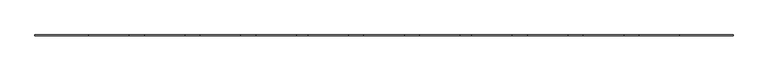
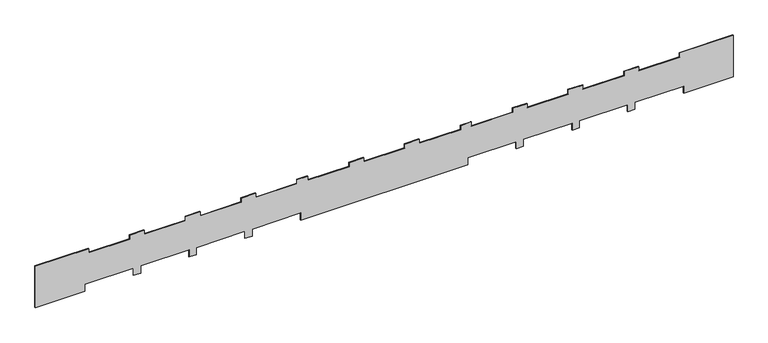
"""IFC4 building model written with IfcOpenShell, lengths in millimetres: furniture geometry."""

import ifcopenshell
import ifcopenshell.guid

model = None  # the IFC model being written
_history = None  # IfcOwnerHistory: only IFC2X3 demands one
_inside = {}  # id of a spatial element -> (the spatial element, [elements in it])
_under = {}  # id of a project, library or spatial element -> (it, [spatial elements below it])
_declared = {}  # id of a project -> (the project, [libraries it declares])
_typed = {}  # id of a type object -> (the type object, [elements of that type])
_made_of = {}  # id of a material, layer set ... -> (it, [elements and type objects made of it])


def new_model(schema):
    """Start an empty IFC model of exactly this schema.

    Asked for "IFC4X3", IfcOpenShell would pick the latest addendum, in which some entities
    have other attributes; the version numbers below select the first issue.
    IFC2X3 requires an IfcOwnerHistory on every rooted entity: one is made here for all.
    """
    global model, _history
    if schema == "IFC4X3":
        model = ifcopenshell.file(schema_version=(4, 3, 0, 0))
    else:
        model = ifcopenshell.file(schema=schema)
    _inside.clear()
    _under.clear()
    _declared.clear()
    _typed.clear()
    _made_of.clear()
    _history = None
    if model.schema == "IFC2X3":
        org = make("IfcOrganization", Name="unknown")
        user = make(
            "IfcPersonAndOrganization",
            ThePerson=make("IfcPerson", FamilyName="unknown"),
            TheOrganization=org,
        )
        app = make(
            "IfcApplication",
            ApplicationDeveloper=org,
            Version="unknown",
            ApplicationFullName="unknown",
            ApplicationIdentifier="unknown",
        )
        _history = make(
            "IfcOwnerHistory",
            OwningUser=user,
            OwningApplication=app,
            ChangeAction="ADDED",
            CreationDate=0,
        )
    return model


def make(cls, **values):
    """One entity of the class cls with the attributes given. An attribute that is None is left unset."""
    return model.create_entity(
        cls, **{name: value for name, value in values.items() if value is not None}
    )


def rooted(cls, **values):
    """An entity with a GlobalId (a new one), such as an element, a storey or a relation."""
    return make(cls, GlobalId=ifcopenshell.guid.new(), OwnerHistory=_history, **values)


def si_unit(unit_type, name, prefix=None):
    """IfcSIUnit, for example si_unit("LENGTHUNIT", "METRE", prefix="MILLI")."""
    return make("IfcSIUnit", UnitType=unit_type, Prefix=prefix, Name=name)


def assignment(units):
    """IfcUnitAssignment: the units of a project."""
    return None if units is None else make("IfcUnitAssignment", Units=units)


def point(xyz):
    """IfcCartesianPoint."""
    return None if xyz is None else make("IfcCartesianPoint", Coordinates=xyz)


def direction(xyz):
    """IfcDirection."""
    return None if xyz is None else make("IfcDirection", DirectionRatios=xyz)


def frame(location, z_axis=None, x_axis=None):
    """IfcAxis2Placement3D, a coordinate frame: its origin and axes. An axis left out is left unset."""
    return make(
        "IfcAxis2Placement3D",
        Location=point(location),
        Axis=direction(z_axis),
        RefDirection=direction(x_axis),
    )


def origin():
    """The frame at (0, 0, 0) with its axes left unset."""
    return frame((0.0, 0.0, 0.0))


def place(relative_to, where):
    """IfcLocalPlacement: puts the frame where relative to a parent placement (None: the world)."""
    return make(
        "IfcLocalPlacement", PlacementRelTo=relative_to, RelativePlacement=where
    )


def context(
    kind, dimensions, precision=None, world=None, true_north=None, identifier=None
):
    """IfcGeometricRepresentationContext, for example the 3D "Model" context."""
    return make(
        "IfcGeometricRepresentationContext",
        ContextIdentifier=identifier,
        ContextType=kind,
        CoordinateSpaceDimension=dimensions,
        Precision=precision,
        WorldCoordinateSystem=world,
        TrueNorth=true_north,
    )


def project(units=None, contexts=None):
    """IfcProject with its units and contexts."""
    return rooted(
        "IfcProject",
        Name="project",
        RepresentationContexts=contexts,
        UnitsInContext=assignment(units),
    )


def spatial(cls, under=None, at=None, **own):
    """A site, building, storey or space (cls), placed at a placement, below another one or the project."""
    s = rooted(cls, ObjectPlacement=at, **own)
    if under is not None:
        _under.setdefault(under.id(), (under, []))[1].append(s)
    return s


def polyline(points):
    """IfcPolyline through the points."""
    return make("IfcPolyline", Points=[point(p) for p in points])


def outline(outer, holes=None, kind="AREA"):
    """IfcArbitraryClosedProfileDef: a profile drawn as a closed curve; with holes, ...WithVoids."""
    if holes is None:
        return make("IfcArbitraryClosedProfileDef", ProfileType=kind, OuterCurve=outer)
    return make(
        "IfcArbitraryProfileDefWithVoids",
        ProfileType=kind,
        OuterCurve=outer,
        InnerCurves=holes,
    )


def extrude(swept, where, along, depth):
    """IfcExtrudedAreaSolid: the profile swept, set in the frame where, extruded along a direction by depth."""
    return make(
        "IfcExtrudedAreaSolid",
        SweptArea=swept,
        Position=where,
        ExtrudedDirection=direction(along),
        Depth=depth,
    )


def shape(context_of_items, identifier, shape_type, items):
    """IfcShapeRepresentation: the items that make up one representation, for example the "Body"."""
    return make(
        "IfcShapeRepresentation",
        ContextOfItems=context_of_items,
        RepresentationIdentifier=identifier,
        RepresentationType=shape_type,
        Items=items,
    )


def source(mapping_origin, context_of_items, identifier, shape_type, items):
    """IfcRepresentationMap: a shape defined once, which mapped items show again and again."""
    return make(
        "IfcRepresentationMap",
        MappingOrigin=mapping_origin,
        MappedRepresentation=shape(context_of_items, identifier, shape_type, items),
    )


def transform(
    local_origin,
    x_axis=None,
    y_axis=None,
    z_axis=None,
    scale=None,
    scale2=None,
    scale3=None,
    uniform=True,
):
    """IfcCartesianTransformationOperator3D, or its non-uniform kind. x_axis, y_axis, z_axis: its Axis1, 2, 3."""
    if uniform:
        return make(
            "IfcCartesianTransformationOperator3D",
            Axis1=direction(x_axis),
            Axis2=direction(y_axis),
            LocalOrigin=point(local_origin),
            Scale=scale,
            Axis3=direction(z_axis),
        )
    return make(
        "IfcCartesianTransformationOperator3DnonUniform",
        Axis1=direction(x_axis),
        Axis2=direction(y_axis),
        LocalOrigin=point(local_origin),
        Scale=scale,
        Axis3=direction(z_axis),
        Scale2=scale2,
        Scale3=scale3,
    )


def mapped(mapping_source, mapping_target):
    """IfcMappedItem: shows the shape of a source again, moved by a transform."""
    return make(
        "IfcMappedItem", MappingSource=mapping_source, MappingTarget=mapping_target
    )


def made_of(thing, what):
    """Note that an element or type object is made of a material, layer set ...; save() writes the relation."""
    if what is not None:
        _made_of.setdefault(what.id(), (what, []))[1].append(thing)
    return thing


def element(
    cls,
    number,
    at=None,
    inside=None,
    cuts=None,
    type_object=None,
    material=None,
    context=None,
    identifier="Body",
    shape_type=None,
    held_by="IfcProductDefinitionShape",
    body=None,
    shapes=None,
    **own,
):
    """One element of the class cls, such as IfcWall. Its Tag is "e" and its number.

    at: its placement. inside: the storey or other place that contains it. cuts: it is an
    opening in that element (IfcRelVoidsElement). A single representation is given by context,
    identifier, shape_type and body (its items); several are given by shapes. held_by: the class
    of the entity that holds the representations. save() writes the other relations.
    """
    e = rooted(cls, Tag="e%d" % number, ObjectPlacement=at, **own)
    if body is not None:
        shapes = [shape(context, identifier, shape_type, body)]
    if shapes is not None:
        e.Representation = make(held_by, Representations=shapes)
    if inside is not None:
        _inside.setdefault(inside.id(), (inside, []))[1].append(e)
    if cuts is not None:
        rooted(
            "IfcRelVoidsElement", RelatingBuildingElement=cuts, RelatedOpeningElement=e
        )
    if type_object is not None:
        _typed.setdefault(type_object.id(), (type_object, []))[1].append(e)
    return made_of(e, material)


def aggregate(whole, parts):
    """IfcRelAggregates: a whole, such as a stair, and the parts it consists of."""
    return rooted("IfcRelAggregates", RelatingObject=whole, RelatedObjects=parts)


def save(model, path):
    """Write the relations noted so far, then the file.

    IfcRelAggregates (storeys below a building ...), IfcRelContainedInSpatialStructure (elements
    in a storey), IfcRelDefinesByType, IfcRelAssociatesMaterial and IfcRelDeclares: one each for
    every whole, place, type object, material and project.
    """
    for whole, parts in _under.values():
        aggregate(whole, parts)
    for where, things in _inside.values():
        rooted(
            "IfcRelContainedInSpatialStructure",
            RelatedElements=things,
            RelatingStructure=where,
        )
    for kind, things in _typed.values():
        rooted("IfcRelDefinesByType", RelatedObjects=things, RelatingType=kind)
    for what, things in _made_of.values():
        rooted("IfcRelAssociatesMaterial", RelatedObjects=things, RelatingMaterial=what)
    for by, libraries in _declared.values():
        rooted("IfcRelDeclares", RelatingContext=by, RelatedDefinitions=libraries)
    model.write(path)


def furniture_d209601f(model_context):
    return source(origin(), model_context, "Body", "SweptSolid", [
        extrude(outline(polyline([(8370.0, 11789.3575177), (8370.0, 13789.3575177), (10140.0, 13789.3575177), (10140.0, 11639.3575177), (9965.0, 11639.3575177), (9965.0, 9979.3575177), (10140.0, 9979.3575177), (10140.0, 9389.3575177), (9965.0, 9389.3575177), (9965.0, 7729.3575177), (10140.0, 7729.3575177), (10140.0, 7139.3575177), (9965.0, 7139.3575177), (9965.0, 5479.3575177), (10140.0, 5479.3575177), (10140.0, 4889.3575177), (9965.0, 4889.3575177), (9965.0, 3229.3575177), (10140.0, 3229.3575177), (10140.0, 2789.3575177), (9965.0, 2789.3575177), (9965.0, 1129.3575177), (10140.0, 1129.3575177), (10140.0, 539.3575177), (9965.0, 539.3575177), (9965.0, -1120.6424823), (10140.0, -1120.6424823), (10140.0, -1710.6424823), (9965.0, -1710.6424823), (9965.0, -3370.6424823), (10140.0, -3370.6424823), (10140.0, -3810.6424823), (9965.0, -3810.6424823), (9965.0, -5470.6424823), (10140.0, -5470.6424823), (10140.0, -6060.6424823), (9965.0, -6060.6424823), (9965.0, -7720.6424823), (10140.0, -7720.6424823), (10140.0, -8310.6424823), (9965.0, -8310.6424823), (9965.0, -9970.6424823), (10140.0, -9970.6424823), (10140.0, -10560.6424823), (9965.0, -10560.6424823), (9965.0, -12220.6424823), (10140.0, -12220.6424823), (10140.0, -14370.6424823), (8370.0, -14370.6424823), (8370.0, -12370.6424823), (8670.0, -12370.6424823), (8670.0, -10410.6424823), (8370.0, -10410.6424823), (8370.0, -10120.6424823), (8670.0, -10120.6424823), (8670.0, -8160.6424823), (8370.0, -8160.6424823), (8370.0, -7870.6424823), (8670.0, -7870.6424823), (8670.0, -5910.6424823), (8370.0, -5910.6424823), (8370.0, -5620.6424823), (8670.0, -5620.6424823), (8670.0, -3660.6424823), (8370.0, -3660.6424823), (8370.0, 3079.3575177), (8670.0, 3079.3575177), (8670.0, 5039.3575177), (8370.0, 5039.3575177), (8370.0, 5329.3575177), (8670.0, 5329.3575177), (8670.0, 7289.3575177), (8370.0, 7289.3575177), (8370.0, 7579.3575177), (8670.0, 7579.3575177), (8670.0, 9539.3575177), (8370.0, 9539.3575177), (8370.0, 9829.3575177), (8670.0, 9829.3575177), (8670.0, 11789.3575177), (8370.0, 11789.3575177)])), frame((0.0, -7964.7565133, 0.0), z_axis=(0.0, 1.0, 0.0), x_axis=(0.0, 0.0, 1.0)), (0.0, 0.0, 1.0), 30.0),
    ])


if __name__ == "__main__":
    model = new_model("IFC4")
    model_context = context("Model", 3, world=origin())
    ifc_project = project(units=[si_unit("LENGTHUNIT", "METRE", prefix="MILLI")], contexts=[model_context])
    site = spatial("IfcSite", under=ifc_project)
    building = spatial("IfcBuilding", under=site)
    placement = place(None, origin())
    furniture_shape = furniture_d209601f(model_context)
    element("IfcFurniture", 1, at=placement, inside=building, context=model_context, shape_type="MappedRepresentation", body=[
        mapped(furniture_shape, transform((0.0, 0.0, 0.0), x_axis=(1.0, 0.0, 0.0), y_axis=(0.0, 1.0, 0.0), z_axis=(0.0, 0.0, 1.0))),
    ])
    save(model, "model.ifc")
